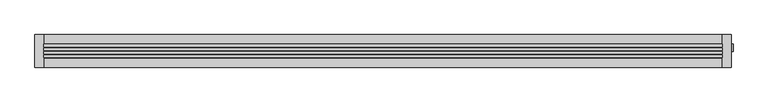
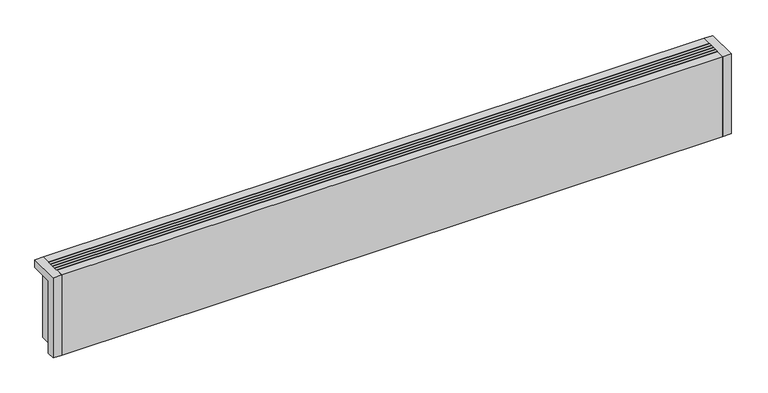
"""IFC4 building model written with IfcOpenShell, lengths in millimetres: proxy geometry."""

from ifc_helpers import new_model, si_unit, point, frame, frame_2d, origin, origin_with_axes, place, context, project, spatial, polyline, circle_curve, ellipse_curve, trimmed, segment, composite_curve, outline, extrude, source, transform, mapped, element, save
from ifc_brep_helpers import plane_surface, cylinder_surface, revolved_surface, advanced_brep


def mechanical_equipment_dca0ee50(model_context):
    return source(origin(), model_context, "Body", "SolidModel", [
        extrude(outline(composite_curve([segment(trimmed(circle_curve(frame_2d((7.5, 77.0)), 7.5), [point((15.0, 77.0))], [point((0.0, 77.0))], False, "CARTESIAN"), True, "CONTINUOUS"), segment(trimmed(circle_curve(frame_2d((7.5, 77.0)), 7.5), [point((0.0, 77.0))], [point((15.0, 77.0))], False, "CARTESIAN"), True, "CONTINUOUS")], self_intersect=False)), frame((1544.0, 0.0, 0.0), z_axis=(1.0, 0.0, 0.0), x_axis=(0.0, 1.0, 0.0)), (0.0, 0.0, 1.0), 38.0),
        advanced_brep(
        [(1582.0, 7.5, 77.0), (1582.0, 19.8236127, 77.0), (1582.0, -4.8236127, 77.0), (1604.3972754, -1.4373094, 77.0), (1604.3972754, 16.4373094, 77.0), (1604.3972754, 7.5, 77.0)],
        [
            (0, 1),
            (1, 2, circle_curve(frame((1582.0, 7.5, 77.0), z_axis=(-1.0, 0.0, 0.0), x_axis=(0.0, 1.0, 0.0)), 12.3236127)),
            (2, 0),
            (2, 1, circle_curve(frame((1582.0, 7.5, 77.0), z_axis=(-1.0, 0.0, 0.0), x_axis=(0.0, 1.0, 0.0)), 12.3236127)),
            (3, 4, circle_curve(frame((1604.3972754, 7.5, 77.0), z_axis=(1.0, 0.0, 0.0), x_axis=(0.0, 1.0, 0.0)), 8.9373094)),
            (4, 5),
            (5, 3),
            (4, 3, circle_curve(frame((1604.3972754, 7.5, 77.0), z_axis=(1.0, 0.0, 0.0), x_axis=(0.0, 1.0, 0.0)), 8.9373094)),
            (1, 4, circle_curve(frame((1582.930269, -49.7853335, 77.0), z_axis=(0.0, 0.0, -1.0), x_axis=(1.0, 0.0, 0.0)), 69.6151621)),
            (3, 2, circle_curve(frame((1582.930269, 64.7853335, 77.0), z_axis=(0.0, 0.0, -1.0), x_axis=(1.0, 0.0, 0.0)), 69.6151621)),
        ],
        [
            plane_surface(frame((1582.0, 7.5, 77.0), z_axis=(-1.0, 0.0, 0.0), x_axis=(0.0, 1.0, 0.0))),
            plane_surface(frame((1604.3972754, 7.5, 77.0), z_axis=(1.0, 0.0, 0.0), x_axis=(0.0, 1.0, 0.0))),
            revolved_surface(trimmed(ellipse_curve(frame((1582.930269, -49.7853335, 77.0), z_axis=(0.0, 0.0, 1.0), x_axis=(1.0, 0.0, 0.0)), 69.6151621, 69.6151621), [point((1604.3972754, 16.4373094, 77.0))], [point((1582.0, 19.8236127, 77.0))], True, "CARTESIAN"), (1610.1181216, 7.5, 77.0), (-1.0, 0.0, 0.0)),
        ],
        [
            (0, [[1, 2, 3]]),
            (0, [[-3, 4, -1]]),
            (1, [[5, 6, 7]]),
            (1, [[8, -7, -6]]),
            (2, [[-2, 9, -5, 10]]),
            (2, [[-4, -10, -8, -9]]),
        ],
    ),
        advanced_brep(
        [(1450.0, 7.5, 19.5), (1450.0, 7.5, 34.5), (1486.5, 7.5, 19.5), (1501.5, 7.5, 34.5), (1486.5, 7.5, 0.0), (1501.5, 7.5, 0.0)],
        [
            (0, 1, circle_curve(frame((1450.0, 7.5, 27.0), z_axis=(-1.0, 0.0, 0.0), x_axis=(0.0, 0.0, 1.0)), 7.5)),
            (1, 0, circle_curve(frame((1450.0, 7.5, 27.0), z_axis=(-1.0, 0.0, 0.0), x_axis=(0.0, 0.0, 1.0)), 7.5)),
            (0, 2),
            (2, 3, ellipse_curve(frame((1494.0, 7.5, 27.0), z_axis=(-0.7071067811865469, 0.0, 0.707106781186548), x_axis=(-0.7071067811865481, 0.0, -0.7071067811865468)), 10.6066017, 7.5)),
            (3, 1),
            (3, 2, ellipse_curve(frame((1494.0, 7.5, 27.0), z_axis=(-0.7071067811865469, 0.0, 0.707106781186548), x_axis=(-0.7071067811865481, 0.0, -0.7071067811865468)), 10.6066017, 7.5)),
            (4, 5, circle_curve(frame((1494.0, 7.5, 0.0), z_axis=(0.0, 0.0, -1.0), x_axis=(1.0, 0.0, 0.0)), 7.5)),
            (5, 4, circle_curve(frame((1494.0, 7.5, 0.0), z_axis=(0.0, 0.0, -1.0), x_axis=(1.0, 0.0, 0.0)), 7.5)),
            (2, 4),
            (5, 3),
        ],
        [
            plane_surface(frame((1450.0, 7.5, 27.0), z_axis=(-1.0, 0.0, 0.0), x_axis=(0.0, -1.0, 0.0))),
            cylinder_surface(frame((1450.0, 7.5, 27.0), z_axis=(-1.0, 0.0, 0.0), x_axis=(0.0, 0.0, 1.0)), 7.5),
            plane_surface(frame((1494.0, 7.5, 0.0), z_axis=(0.0, 0.0, -1.0), x_axis=(0.0, -1.0, 0.0))),
            cylinder_surface(frame((1494.0, 7.5, 27.0), z_axis=(0.0, 0.0, 1.0), x_axis=(1.0, 0.0, 0.0)), 7.5),
        ],
        [
            (0, [[1, 2]]),
            (1, [[-1, 3, 4, 5]]),
            (1, [[-2, -5, 6, -3]]),
            (2, [[7, 8]]),
            (3, [[-4, 9, -8, 10]]),
            (3, [[-6, -10, -7, -9]]),
        ],
    ),
        advanced_brep(
        [(1450.0, 7.5, 69.5), (1450.0, 7.5, 84.5), (1536.5, 7.5, 69.5), (1551.5, 7.5, 84.5), (1536.5, 7.5, 0.0), (1551.5, 7.5, 0.0)],
        [
            (0, 1, circle_curve(frame((1450.0, 7.5, 77.0), z_axis=(-1.0, 0.0, 0.0), x_axis=(0.0, 0.0, 1.0)), 7.5)),
            (1, 0, circle_curve(frame((1450.0, 7.5, 77.0), z_axis=(-1.0, 0.0, 0.0), x_axis=(0.0, 0.0, 1.0)), 7.5)),
            (0, 2),
            (2, 3, ellipse_curve(frame((1544.0, 7.5, 77.0), z_axis=(-0.7071067811865469, 0.0, 0.707106781186548), x_axis=(-0.7071067811865481, 0.0, -0.7071067811865468)), 10.6066017, 7.5)),
            (3, 1),
            (3, 2, ellipse_curve(frame((1544.0, 7.5, 77.0), z_axis=(-0.7071067811865469, 0.0, 0.707106781186548), x_axis=(-0.7071067811865481, 0.0, -0.7071067811865468)), 10.6066017, 7.5)),
            (4, 5, circle_curve(frame((1544.0, 7.5, 0.0), z_axis=(0.0, 0.0, -1.0), x_axis=(1.0, 0.0, 0.0)), 7.5)),
            (5, 4, circle_curve(frame((1544.0, 7.5, 0.0), z_axis=(0.0, 0.0, -1.0), x_axis=(1.0, 0.0, 0.0)), 7.5)),
            (2, 4),
            (5, 3),
        ],
        [
            plane_surface(frame((1450.0, 7.5, 77.0), z_axis=(-1.0, 0.0, 0.0), x_axis=(0.0, -1.0, 0.0))),
            cylinder_surface(frame((1450.0, 7.5, 77.0), z_axis=(-1.0, 0.0, 0.0), x_axis=(0.0, 0.0, 1.0)), 7.5),
            plane_surface(frame((1544.0, 7.5, 0.0), z_axis=(0.0, 0.0, -1.0), x_axis=(0.0, -1.0, 0.0))),
            cylinder_surface(frame((1544.0, 7.5, 77.0), z_axis=(0.0, 0.0, 1.0), x_axis=(1.0, 0.0, 0.0)), 7.5),
        ],
        [
            (0, [[1, 2]]),
            (1, [[-1, 3, 4, 5]]),
            (1, [[-2, -5, 6, -3]]),
            (2, [[7, 8]]),
            (3, [[-4, 9, -8, 10]]),
            (3, [[-6, -10, -7, -9]]),
        ],
    ),
        extrude(outline(polyline([(20.0, -1.1666667), (1580.0, -1.1666667), (1580.0, -7.1666667), (20.0, -7.1666667), (20.0, -1.1666667)])), frame((0.0, 0.0, 182.0), z_axis=(0.0, 0.0, 1.0), x_axis=(1.0, 0.0, 0.0)), (0.0, 0.0, 1.0), 18.0),
        extrude(outline(polyline([(20.0, 7.1666667), (1580.0, 7.1666667), (1580.0, 1.1666667), (20.0, 1.1666667), (20.0, 7.1666667)])), frame((0.0, 0.0, 182.0), z_axis=(0.0, 0.0, 1.0), x_axis=(1.0, 0.0, 0.0)), (0.0, 0.0, 1.0), 18.0),
        extrude(outline(polyline([(20.0, -9.5), (1580.0, -9.5), (1580.0, -15.5), (20.0, -15.5), (20.0, -9.5)])), frame((0.0, 0.0, 182.0), z_axis=(0.0, 0.0, 1.0), x_axis=(1.0, 0.0, 0.0)), (0.0, 0.0, 1.0), 18.0),
        extrude(outline(polyline([(20.0, 15.5), (1580.0, 15.5), (1580.0, 9.5), (20.0, 9.5), (20.0, 15.5)])), frame((0.0, 0.0, 182.0), z_axis=(0.0, 0.0, 1.0), x_axis=(1.0, 0.0, 0.0)), (0.0, 0.0, 1.0), 18.0),
        extrude(outline(polyline([(1580.0, 17.5), (20.0, 17.5), (20.0, 37.5), (1580.0, 37.5), (1580.0, 17.5)])), origin_with_axes(), (0.0, 0.0, 1.0), 181.0),
        advanced_brep(
        [(1580.0, -37.5, 200.0), (1600.0, -37.5, 200.0), (1600.0, 37.5, 200.0), (1580.0, 37.5, 200.0), (20.0, 37.5, 200.0), (0.0, 37.5, 200.0), (0.0, -37.5, 200.0), (20.0, -37.5, 200.0), (20.0, -37.5, 0.0), (0.0, -37.5, 0.0), (0.0, -17.5, 0.0), (18.0, -17.5, 0.0), (18.0, 37.5, 0.0), (20.0, 37.5, 0.0), (20.0, 17.5, 0.0), (1580.0, 17.5, 0.0), (1580.0, 37.5, 0.0), (1582.0, 37.5, 0.0), (1582.0, -17.5, 0.0), (1600.0, -17.5, 0.0), (1600.0, -37.5, 0.0), (1580.0, -37.5, 0.0), (1580.0, -17.5, 0.0), (20.0, -17.5, 0.0), (1486.5, 7.5, 0.0), (1501.5, 7.5, 0.0), (1536.5, 7.5, 0.0), (1551.5, 7.5, 0.0), (20.0, -17.5, 181.0), (20.0, 17.5, 181.0), (1580.0, -17.5, 20.0), (1450.0, -17.5, 20.0), (1450.0, -17.5, 181.0), (1580.0, 17.5, 20.0), (1580.0, 14.6414284, 20.0), (1580.0, 17.5, 27.0), (1580.0, -2.5, 27.0), (1580.0, 0.3585716, 20.0), (1580.0, -2.5, 77.0), (1580.0, 17.5, 77.0), (1600.0, -17.5, 181.0), (1600.0, 37.5, 181.0), (1582.0, 37.5, 181.0), (1450.0, 17.5, 181.0), (1450.0, 17.5, 20.0), (18.0, 37.5, 181.0), (0.0, 37.5, 181.0), (0.0, -17.5, 181.0), (1582.0, -17.5, 181.0), (1582.0, 17.5, 27.0), (1582.0, -2.5, 27.0), (1582.0, 17.5, 77.0), (1582.0, -2.5, 77.0), (18.0, -17.5, 181.0), (1486.5, 7.5, 5.0), (1501.5, 7.5, 5.0), (1536.5, 7.5, 5.0), (1551.5, 7.5, 5.0)],
        [
            (0, 1),
            (1, 2),
            (2, 3),
            (3, 0),
            (4, 5),
            (5, 6),
            (6, 7),
            (7, 4),
            (8, 9),
            (9, 10),
            (10, 11),
            (11, 12),
            (12, 13),
            (13, 14),
            (14, 15),
            (15, 16),
            (16, 17),
            (17, 18),
            (18, 19),
            (19, 20),
            (20, 21),
            (21, 22),
            (22, 23),
            (23, 8),
            (24, 25, circle_curve(frame((1494.0, 7.5, 0.0), z_axis=(0.0, 0.0, 1.0), x_axis=(1.0, 0.0, 0.0)), 7.5)),
            (25, 24, circle_curve(frame((1494.0, 7.5, 0.0), z_axis=(0.0, 0.0, 1.0), x_axis=(1.0, 0.0, 0.0)), 7.5)),
            (26, 27, circle_curve(frame((1544.0, 7.5, 0.0), z_axis=(0.0, 0.0, 1.0), x_axis=(1.0, 0.0, 0.0)), 7.5)),
            (27, 26, circle_curve(frame((1544.0, 7.5, 0.0), z_axis=(0.0, 0.0, 1.0), x_axis=(1.0, 0.0, 0.0)), 7.5)),
            (13, 4),
            (7, 8),
            (23, 28),
            (28, 29),
            (29, 14),
            (22, 30),
            (30, 31),
            (31, 32),
            (32, 28),
            (15, 33),
            (33, 34),
            (34, 35, circle_curve(frame((1580.0, 7.5, 27.0), z_axis=(1.0, 0.0, 0.0), x_axis=(0.0, 1.0, 0.0)), 10.0)),
            (35, 36, circle_curve(frame((1580.0, 7.5, 27.0), z_axis=(1.0, 0.0, 0.0), x_axis=(0.0, 1.0, 0.0)), 10.0)),
            (36, 37, circle_curve(frame((1580.0, 7.5, 27.0), z_axis=(1.0, 0.0, 0.0), x_axis=(0.0, 1.0, 0.0)), 10.0)),
            (37, 30),
            (21, 0),
            (3, 16),
            (38, 39, circle_curve(frame((1580.0, 7.5, 77.0), z_axis=(1.0, 0.0, 0.0), x_axis=(0.0, 1.0, 0.0)), 10.0)),
            (39, 38, circle_curve(frame((1580.0, 7.5, 77.0), z_axis=(1.0, 0.0, 0.0), x_axis=(0.0, 1.0, 0.0)), 10.0)),
            (20, 1),
            (19, 40),
            (40, 41),
            (41, 2),
            (41, 42),
            (42, 17),
            (29, 43),
            (43, 44),
            (44, 33),
            (12, 45),
            (45, 46),
            (46, 5),
            (46, 47),
            (47, 10),
            (9, 6),
            (32, 43),
            (44, 31),
            (37, 34),
            (40, 48),
            (48, 42),
            (48, 18),
            (49, 50, circle_curve(frame((1582.0, 7.5, 27.0), z_axis=(-1.0, 0.0, 0.0), x_axis=(0.0, 1.0, 0.0)), 10.0)),
            (50, 49, circle_curve(frame((1582.0, 7.5, 27.0), z_axis=(-1.0, 0.0, 0.0), x_axis=(0.0, 1.0, 0.0)), 10.0)),
            (51, 52, circle_curve(frame((1582.0, 7.5, 77.0), z_axis=(-1.0, 0.0, 0.0), x_axis=(0.0, 1.0, 0.0)), 10.0)),
            (52, 51, circle_curve(frame((1582.0, 7.5, 77.0), z_axis=(-1.0, 0.0, 0.0), x_axis=(0.0, 1.0, 0.0)), 10.0)),
            (45, 53),
            (53, 47),
            (11, 53),
            (37, 34, circle_curve(frame((1580.0, 7.5, 27.0), z_axis=(1.0, 0.0, 0.0), x_axis=(0.0, 1.0, 0.0)), 10.0)),
            (36, 50),
            (49, 35),
            (38, 52),
            (51, 39),
            (54, 55, circle_curve(frame((1494.0, 7.5, 5.0), z_axis=(0.0, 0.0, -1.0), x_axis=(1.0, 0.0, 0.0)), 7.5)),
            (55, 54, circle_curve(frame((1494.0, 7.5, 5.0), z_axis=(0.0, 0.0, -1.0), x_axis=(1.0, 0.0, 0.0)), 7.5)),
            (56, 57, circle_curve(frame((1544.0, 7.5, 5.0), z_axis=(0.0, 0.0, -1.0), x_axis=(1.0, 0.0, 0.0)), 7.5)),
            (57, 56, circle_curve(frame((1544.0, 7.5, 5.0), z_axis=(0.0, 0.0, -1.0), x_axis=(1.0, 0.0, 0.0)), 7.5)),
            (55, 25),
            (24, 54),
            (57, 27),
            (26, 56),
        ],
        [
            plane_surface(frame((20.0, -37.5, 200.0), z_axis=(0.0, 0.0, 1.0), x_axis=(0.0, 1.0, 0.0))),
            plane_surface(frame((20.0, -37.5, 0.0), z_axis=(0.0, 0.0, -1.0), x_axis=(0.0, -1.0, 0.0))),
            plane_surface(frame((20.0, -37.5, 200.0), z_axis=(1.0, 0.0, 0.0), x_axis=(0.0, 0.0, -1.0))),
            plane_surface(frame((20.0, -17.5, 200.0), z_axis=(0.0, -1.0, 0.0), x_axis=(0.0, 0.0, -1.0))),
            plane_surface(frame((1580.0, -17.5, 200.0), z_axis=(-1.0, 0.0, 0.0), x_axis=(0.0, 0.0, -1.0))),
            plane_surface(frame((1580.0, -37.5, 200.0), z_axis=(0.0, -1.0, 0.0), x_axis=(0.0, 0.0, -1.0))),
            plane_surface(frame((1600.0, -37.5, 200.0), z_axis=(1.0, 0.0, 0.0), x_axis=(0.0, 0.0, -1.0))),
            plane_surface(frame((1600.0, 37.5, 200.0), z_axis=(0.0, 1.0, 0.0), x_axis=(0.0, 0.0, -1.0))),
            plane_surface(frame((1580.0, 17.5, 200.0), z_axis=(0.0, 1.0, 0.0), x_axis=(0.0, 0.0, -1.0))),
            plane_surface(frame((20.0, 37.5, 200.0), z_axis=(0.0, 1.0, 0.0), x_axis=(0.0, 0.0, -1.0))),
            plane_surface(frame((0.0, 37.5, 200.0), z_axis=(-1.0, 0.0, 0.0), x_axis=(0.0, 0.0, -1.0))),
            plane_surface(frame((0.0, -37.5, 200.0), z_axis=(0.0, -1.0, 0.0), x_axis=(0.0, 0.0, -1.0))),
            plane_surface(frame((20.0, 17.5, 181.0), z_axis=(0.0, 0.0, 1.0), x_axis=(1.0, 0.0, 0.0))),
            plane_surface(frame((1450.0, 17.5, 20.0), z_axis=(0.0, 0.0, 1.0), x_axis=(0.0, 1.0, 0.0))),
            plane_surface(frame((1450.0, 17.5, 200.0), z_axis=(1.0, 0.0, 0.0), x_axis=(0.0, 0.0, -1.0))),
            plane_surface(frame((1582.0, 37.5, 181.0), z_axis=(0.0, 0.0, -1.0), x_axis=(0.0, -1.0, 0.0))),
            plane_surface(frame((1582.0, 37.5, 181.0), z_axis=(1.0, 0.0, 0.0), x_axis=(0.0, 0.0, -1.0))),
            plane_surface(frame((1582.0, -17.5, 181.0), z_axis=(0.0, 1.0, 0.0), x_axis=(0.0, 0.0, -1.0))),
            plane_surface(frame((0.0, 37.5, 181.0), z_axis=(0.0, 0.0, -1.0), x_axis=(-1.0, 0.0, 0.0))),
            plane_surface(frame((18.0, -17.5, 181.0), z_axis=(-1.0, 0.0, 0.0), x_axis=(0.0, 0.0, -1.0))),
            plane_surface(frame((0.0, -17.5, 181.0), z_axis=(0.0, 1.0, 0.0), x_axis=(0.0, 0.0, -1.0))),
            plane_surface(frame((1580.0, 17.5, 27.0), z_axis=(1.0, 0.0, 0.0), x_axis=(0.0, 0.0, -1.0))),
            revolved_surface(polyline([(1582.0, 17.5, 27.0), (1580.0, 17.5, 27.0)]), (1580.0, 7.5, 27.0), (1.0, 0.0, 0.0)),
            revolved_surface(polyline([(1582.0, 17.5, 77.0), (1580.0, 17.5, 77.0)]), (0.0, 7.5, 77.0), (1.0, 0.0, 0.0)),
            plane_surface(frame((1501.5, 7.5, 5.0), z_axis=(0.0, 0.0, -1.0), x_axis=(0.0, 1.0, 0.0))),
            revolved_surface(polyline([(1501.5, 7.5, 5.0), (1501.5, 7.5, 0.0)]), (1494.0, 7.5, 0.0), (0.0, 0.0, 1.0)),
            revolved_surface(polyline([(1551.5, 7.5, 5.0), (1551.5, 7.5, 0.0)]), (1544.0, 7.5, 0.0), (0.0, 0.0, 1.0)),
        ],
        [
            (0, [[1, 2, 3, 4]]),
            (0, [[5, 6, 7, 8]]),
            (1, [[9, 10, 11, 12, 13, 14, 15, 16, 17, 18, 19, 20, 21, 22, 23, 24], [25, 26], [27, 28]]),
            (2, [[-14, 29, -8, 30, -24, 31, 32, 33]]),
            (3, [[-23, 34, 35, 36, 37, -31]]),
            (4, [[-16, 38, 39, 40, 41, 42, 43, -34, -22, 44, -4, 45], [46, 47]]),
            (5, [[-1, -44, -21, 48]]),
            (6, [[-2, -48, -20, 49, 50, 51]]),
            (7, [[-3, -51, 52, 53, -17, -45]]),
            (8, [[-15, -33, 54, 55, 56, -38]]),
            (9, [[-5, -29, -13, 57, 58, 59]]),
            (10, [[-6, -59, 60, 61, -10, 62]]),
            (11, [[-7, -62, -9, -30]]),
            (12, [[-32, -37, 63, -54]]),
            (13, [[64, -35, -43, 65, -39, -56]]),
            (14, [[-64, -55, -63, -36]]),
            (15, [[66, 67, -52, -50]]),
            (16, [[-67, 68, -18, -53], [69, 70], [71, 72]]),
            (17, [[-66, -49, -19, -68]]),
            (18, [[73, 74, -60, -58]]),
            (19, [[-73, -57, -12, 75]]),
            (20, [[-74, -75, -11, -61]]),
            (21, [[76, -65]]),
            (22, [[-76, -42, 77, -69, 78, -40]]),
            (22, [[-77, -41, -78, -70]]),
            (23, [[79, -71, 80, -46]]),
            (23, [[-79, -47, -80, -72]]),
            (24, [[81, 82]]),
            (24, [[83, 84]]),
            (25, [[-82, 85, -25, 86]]),
            (25, [[-81, -86, -26, -85]]),
            (26, [[-84, 87, -27, 88]]),
            (26, [[-83, -88, -28, -87]]),
        ],
    ),
        extrude(outline(polyline([(1580.0, 17.5), (20.0, 17.5), (20.0, 37.5), (1580.0, 37.5), (1580.0, 17.5)])), frame((0.0, 0.0, 181.0), z_axis=(0.0, 0.0, 1.0), x_axis=(1.0, 0.0, 0.0)), (0.0, 0.0, 1.0), 19.0),
        extrude(outline(polyline([(1580.0, -37.5), (20.0, -37.5), (20.0, -17.5), (1580.0, -17.5), (1580.0, -37.5)])), origin_with_axes(), (0.0, 0.0, 1.0), 200.0),
        extrude(outline(composite_curve([segment(trimmed(circle_curve(frame_2d((7.5, 77.0)), 10.0), [point((-2.5, 77.0))], [point((17.5, 77.0))], False, "CARTESIAN"), True, "CONTINUOUS"), segment(trimmed(circle_curve(frame_2d((7.5, 77.0)), 10.0), [point((17.5, 77.0))], [point((-2.5, 77.0))], False, "CARTESIAN"), True, "CONTINUOUS")], self_intersect=False)), frame((1580.0, 0.0, 0.0), z_axis=(1.0, 0.0, 0.0), x_axis=(0.0, 1.0, 0.0)), (0.0, 0.0, 1.0), 2.0),
        extrude(outline(composite_curve([segment(trimmed(circle_curve(frame_2d((7.5, 27.0)), 10.0), [point((-2.5, 27.0))], [point((17.5, 27.0))], False, "CARTESIAN"), True, "CONTINUOUS"), segment(trimmed(circle_curve(frame_2d((7.5, 27.0)), 10.0), [point((17.5, 27.0))], [point((-2.5, 27.0))], False, "CARTESIAN"), True, "CONTINUOUS")], self_intersect=False)), frame((1580.0, 0.0, 0.0), z_axis=(1.0, 0.0, 0.0), x_axis=(0.0, 1.0, 0.0)), (0.0, 0.0, 1.0), 2.0),
    ])


if __name__ == "__main__":
    model = new_model("IFC4")
    model_context = context("Model", 3, world=origin())
    ifc_project = project(units=[si_unit("LENGTHUNIT", "METRE", prefix="MILLI")], contexts=[model_context])
    site = spatial("IfcSite", under=ifc_project)
    building = spatial("IfcBuilding", under=site)
    placement = place(None, origin())
    mechanical_equipment_shape = mechanical_equipment_dca0ee50(model_context)
    element("IfcBuildingElementProxy", 1, Name="Mechanical Equipment", at=placement, inside=building, context=model_context, shape_type="MappedRepresentation", body=[
        mapped(mechanical_equipment_shape, transform((0.0, 0.0, 0.0), x_axis=(1.0, 0.0, 0.0), y_axis=(0.0, 1.0, 0.0), z_axis=(0.0, 0.0, 1.0))),
    ])
    save(model, "model.ifc")
